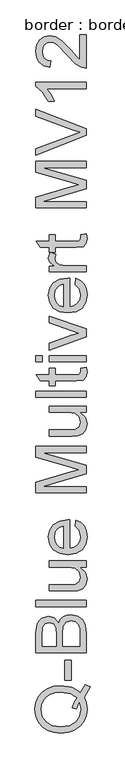
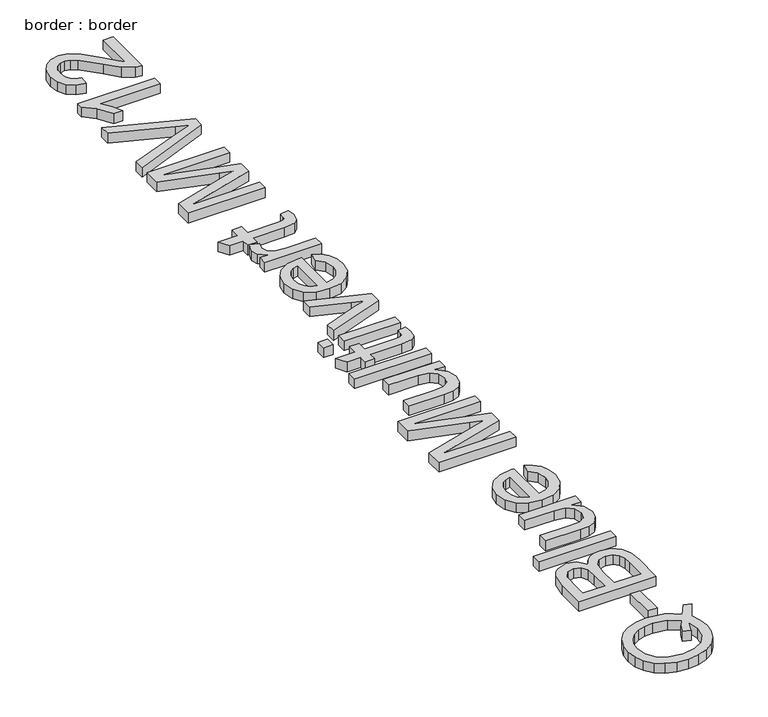
"""IFC4 building model written with IfcOpenShell, lengths in millimetres: proxy geometry, border : border."""

from ifc_helpers import new_model, si_unit, origin, origin_with_axes, place, context, project, spatial, polyline, outline, extrude, source, transform, mapped, element, save


def border_border_e8e7cf6d(model_context):
    return source(origin(), model_context, "Body", "SweptSolid", [
        extrude(outline(polyline([(-518.063006, 579.5960363), (-502.3544448, 602.956543), (-488.55887, 597.8797714), (-506.1804175, 566.8673192), (-499.7792708, 549.4389097), (-497.6455552, 530.2630607), (-500.1057661, 510.9952412), (-507.4863986, 493.5852258), (-519.3230018, 479.0033032), (-535.1511246, 468.2197622), (-554.1016459, 461.5564996), (-575.3054444, 459.335412), (-596.527637, 461.5519011), (-615.7540698, 468.2013681), (-631.8075203, 478.9435224), (-643.5107663, 493.438073), (-650.6568741, 510.7837091), (-653.03891, 530.0791197), (-650.6016918, 549.5262817), (-643.2900371, 566.9592897), (-631.5913897, 581.4308477), (-615.9931931, 591.9936595), (-597.3231818, 598.4499885), (-576.4090904, 600.6020982), (-543.4836518, 595.3781739), (-529.8260328, 588.8206773), (-518.063006, 579.5960363)]), holes=[polyline([(-543.1157698, 535.4501968), (-537.1284904, 551.2875167), (-528.8051602, 564.0714161), (-548.2293296, 577.342759), (-575.4525972, 581.76654), (-592.0302796, 580.2030416), (-606.3730789, 575.5125461), (-618.1177116, 567.8100168), (-626.9008942, 557.2104169), (-632.3777374, 544.4311161), (-634.2033518, 530.1894843), (-630.5107363, 509.661669), (-619.4328897, 492.9598264), (-601.0249944, 481.8681842), (-575.3422326, 478.1709702), (-550.2112938, 481.8267975), (-531.6930339, 492.7942795), (-520.2840935, 509.4455383), (-516.4811134, 530.1526961), (-520.3438743, 550.422994), (-528.6947956, 530.5941545), (-543.1157698, 535.4501968)])]), origin_with_axes(), (0.0, 0.0, 1.0), 20.0),
        extrude(outline(polyline([(-544.7344506, 617.0832116), (-563.5700088, 617.0832116), (-563.5700088, 675.9443308), (-544.7344506, 675.9443308), (-544.7344506, 617.0832116)])), origin_with_axes(), (0.0, 0.0, 1.0), 20.0),
        extrude(outline(polyline([(-500.0, 699.4887785), (-650.6844652, 699.4887785), (-650.6844652, 756.9887343), (-646.2514872, 785.1501011), (-640.6274912, 794.6138654), (-632.6214593, 801.7783673), (-613.3444427, 807.7932379), (-595.7412892, 802.7348604), (-582.4055669, 787.4493635), (-576.8321547, 798.1225399), (-568.3524747, 806.0090102), (-557.527547, 810.8788481), (-544.9183916, 812.5021274), (-524.6664878, 808.0691494), (-510.2455136, 797.0878718), (-502.5935681, 780.6987289), (-500.0, 756.5472759), (-500.0, 699.4887785)]), holes=[polyline([(-589.4689012, 718.3243366), (-589.4689012, 752.7213032), (-591.087582, 772.8076601), (-598.0589458, 784.8925837), (-610.3278104, 788.9576797), (-622.615069, 785.1684952), (-629.8807384, 774.3159763), (-631.8489071, 750.109341), (-631.8489071, 718.3243366), (-589.4689012, 718.3243366)]), polyline([(-518.8355582, 718.3243366), (-518.8355582, 756.9519461), (-519.5713221, 770.931462), (-523.6732064, 782.7588681), (-532.0425218, 790.5947546), (-544.7344506, 793.6665693), (-559.376154, 790.0613257), (-568.1133514, 778.3810724), (-570.6333431, 755.1125362), (-570.6333431, 718.3243366), (-518.8355582, 718.3243366)])]), origin_with_axes(), (0.0, 0.0, 1.0), 20.0),
        extrude(outline(polyline([(-500.0, 836.0465751), (-650.6844652, 836.0465751), (-650.6844652, 854.8821333), (-500.0, 854.8821333), (-500.0, 836.0465751)])), origin_with_axes(), (0.0, 0.0, 1.0), 20.0),
        extrude(outline(polyline([(-500.0, 953.7688136), (-519.0194992, 953.7688136), (-502.9890412, 939.0167456), (-497.6455552, 919.7765172), (-501.3979516, 902.0629991), (-510.8157307, 889.8493169), (-524.6848819, 884.2391165), (-542.1960648, 883.1354705), (-610.6589041, 883.1354705), (-610.6589041, 901.9710286), (-551.0620209, 901.9710286), (-531.8585808, 903.1114628), (-520.5829976, 910.5610732), (-516.4811134, 924.5957713), (-520.6749681, 940.3227266), (-532.0977041, 950.715393), (-553.0853719, 953.7688136), (-610.6589041, 953.7688136), (-610.6589041, 972.6043717), (-500.0, 972.6043717), (-500.0, 953.7688136)])), origin_with_axes(), (0.0, 0.0, 1.0), 20.0),
        extrude(outline(polyline([(-532.9622268, 1075.9792124), (-530.607782, 1094.4468885), (-516.6926455, 1087.7928229), (-506.2907821, 1077.1748288), (-499.806862, 1062.8320296), (-497.6455552, 1045.0035484), (-501.374959, 1022.9030375), (-512.5631701, 1005.8976923), (-530.4836218, 995.0543705), (-554.4097471, 991.4399299), (-579.1406142, 995.0911587), (-597.6358815, 1006.0448451), (-609.1689821, 1022.8202641), (-613.0133489, 1043.9366906), (-609.1781791, 1064.395528), (-597.6726697, 1080.7432842), (-579.2141906, 1091.4624458), (-554.5201117, 1095.0354997), (-549.4433402, 1094.9251351), (-549.4433402, 1010.275488), (-535.3442627, 1013.5358422), (-524.9791875, 1021.1096128), (-518.6056319, 1032.0403066), (-516.4811134, 1045.3714304), (-520.4174507, 1063.8391065), (-532.9622268, 1075.9792124)]), holes=[polyline([(-568.2788983, 1010.275488), (-568.2788983, 1076.1999416), (-578.2301063, 1073.6523587), (-585.3486229, 1068.6583607), (-591.9704988, 1057.6770831), (-594.1777908, 1043.8631142), (-592.4165557, 1031.1665868), (-587.1328506, 1020.6681544), (-578.8968924, 1013.3702953), (-568.2788983, 1010.275488)])]), origin_with_axes(), (0.0, 0.0, 1.0), 20.0),
        extrude(outline(polyline([(-500.0, 1175.0866219), (-650.6844652, 1175.0866219), (-650.6844652, 1207.4970256), (-544.4769332, 1238.3255368), (-522.2936489, 1244.5427425), (-546.3163432, 1251.2749831), (-650.6844652, 1281.5884595), (-650.6844652, 1313.9988632), (-500.0, 1313.9988632), (-500.0, 1295.1633051), (-631.8489071, 1295.1633051), (-500.0, 1257.3082478), (-500.0, 1231.7772373), (-631.8489071, 1193.92218), (-500.0, 1193.92218), (-500.0, 1175.0866219)])), origin_with_axes(), (0.0, 0.0, 1.0), 20.0),
        extrude(outline(polyline([(-500.0, 1415.2399883), (-519.0194992, 1415.2399883), (-502.9890412, 1400.4879203), (-497.6455552, 1381.247692), (-501.3979516, 1363.5341739), (-510.8157307, 1351.3204916), (-524.6848819, 1345.7102912), (-542.1960648, 1344.6066452), (-610.6589041, 1344.6066452), (-610.6589041, 1363.4422034), (-551.0620209, 1363.4422034), (-531.8585808, 1364.5826376), (-520.5829976, 1372.032248), (-516.4811134, 1386.0669461), (-520.6749681, 1401.7939014), (-532.0977041, 1412.1865678), (-553.0853719, 1415.2399883), (-610.6589041, 1415.2399883), (-610.6589041, 1434.0755465), (-500.0, 1434.0755465), (-500.0, 1415.2399883)])), origin_with_axes(), (0.0, 0.0, 1.0), 20.0),
        extrude(outline(polyline([(-500.0, 1459.9744389), (-650.6844652, 1459.9744389), (-650.6844652, 1478.8099971), (-500.0, 1478.8099971), (-500.0, 1459.9744389)])), origin_with_axes(), (0.0, 0.0, 1.0), 20.0),
        extrude(outline(polyline([(-515.7085612, 1547.0888954), (-499.448177, 1549.4433402), (-497.6455552, 1535.3534597), (-500.7725522, 1519.5713221), (-508.9763207, 1511.6986474), (-530.3502646, 1509.4177791), (-591.823346, 1509.4177791), (-591.823346, 1495.2911105), (-610.6589041, 1495.2911105), (-610.6589041, 1509.4177791), (-637.551078, 1509.4177791), (-648.6243261, 1528.2533372), (-610.6589041, 1528.2533372), (-610.6589041, 1547.0888954), (-591.823346, 1547.0888954), (-591.823346, 1528.2533372), (-530.9020876, 1528.2533372), (-521.1900029, 1529.2466186), (-517.7503063, 1532.4655861), (-516.4811134, 1538.8851269), (-515.7085612, 1547.0888954)])), origin_with_axes(), (0.0, 0.0, 1.0), 20.0),
        extrude(outline(polyline([(-631.8489071, 1565.9244535), (-650.6844652, 1565.9244535), (-650.6844652, 1584.7600117), (-631.8489071, 1584.7600117), (-631.8489071, 1565.9244535)])), origin_with_axes(), (0.0, 0.0, 1.0), 20.0),
        extrude(outline(polyline([(-500.0, 1565.9244535), (-610.6589041, 1565.9244535), (-610.6589041, 1584.7600117), (-500.0, 1584.7600117), (-500.0, 1565.9244535)])), origin_with_axes(), (0.0, 0.0, 1.0), 20.0),
        extrude(outline(polyline([(-500.0, 1640.1630402), (-610.6589041, 1601.2411251), (-610.6589041, 1621.1803292), (-544.3665686, 1644.7615651), (-522.0729197, 1651.8616876), (-543.1157698, 1658.8146573), (-610.6589041, 1682.543046), (-610.6589041, 1702.4822501), (-500.0, 1664.0385816), (-500.0, 1640.1630402)])), origin_with_axes(), (0.0, 0.0, 1.0), 20.0),
        extrude(outline(polyline([(-532.9622268, 1796.4393117), (-530.607782, 1814.9069879), (-516.6926455, 1808.2529223), (-506.2907821, 1797.6349282), (-499.806862, 1783.2921289), (-497.6455552, 1765.4636477), (-501.374959, 1743.3631369), (-512.5631701, 1726.3577916), (-530.4836218, 1715.5144698), (-554.4097471, 1711.9000292), (-579.1406142, 1715.551258), (-597.6358815, 1726.5049444), (-609.1689821, 1743.2803634), (-613.0133489, 1764.3967899), (-609.1781791, 1784.8556274), (-597.6726697, 1801.2033836), (-579.2141906, 1811.9225452), (-554.5201117, 1815.4955991), (-549.4433402, 1815.3852345), (-549.4433402, 1730.7355874), (-535.3442627, 1733.9959416), (-524.9791875, 1741.5697121), (-518.6056319, 1752.5004059), (-516.4811134, 1765.8315297), (-520.4174507, 1784.2992059), (-532.9622268, 1796.4393117)]), holes=[polyline([(-568.2788983, 1730.7355874), (-568.2788983, 1796.6600409), (-578.2301063, 1794.1124581), (-585.3486229, 1789.11846), (-591.9704988, 1778.1371825), (-594.1777908, 1764.3232135), (-592.4165557, 1751.6266862), (-587.1328506, 1741.1282537), (-578.8968924, 1733.8303947), (-568.2788983, 1730.7355874)])]), origin_with_axes(), (0.0, 0.0, 1.0), 20.0),
        extrude(outline(polyline([(-500.0, 1834.3311572), (-610.6589041, 1834.3311572), (-610.6589041, 1850.8122706), (-594.2881554, 1850.8122706), (-609.3713172, 1862.510918), (-613.0133489, 1874.2831419), (-607.2008134, 1893.1922764), (-590.3150298, 1886.9014943), (-594.1777908, 1873.6577425), (-590.4621826, 1863.0075587), (-580.1614867, 1856.2201359), (-558.1621434, 1853.1667154), (-500.0, 1853.1667154), (-500.0, 1834.3311572)])), origin_with_axes(), (0.0, 0.0, 1.0), 20.0),
        extrude(outline(polyline([(-515.7085612, 1944.9900614), (-499.448177, 1947.3445061), (-497.6455552, 1933.2546257), (-500.7725522, 1917.4724881), (-508.9763207, 1909.5998134), (-530.3502646, 1907.3189451), (-591.823346, 1907.3189451), (-591.823346, 1893.1922764), (-610.6589041, 1893.1922764), (-610.6589041, 1907.3189451), (-637.551078, 1907.3189451), (-648.6243261, 1926.1545032), (-610.6589041, 1926.1545032), (-610.6589041, 1944.9900614), (-591.823346, 1944.9900614), (-591.823346, 1926.1545032), (-530.9020876, 1926.1545032), (-521.1900029, 1927.1477846), (-517.7503063, 1930.3667521), (-516.4811134, 1936.7862929), (-515.7085612, 1944.9900614)])), origin_with_axes(), (0.0, 0.0, 1.0), 20.0),
        extrude(outline(polyline([(-500.0, 2025.0411835), (-650.6844652, 2025.0411835), (-650.6844652, 2057.4515873), (-544.4769332, 2088.2800985), (-522.2936489, 2094.4973042), (-546.3163432, 2101.2295447), (-650.6844652, 2131.5430211), (-650.6844652, 2163.9534249), (-500.0, 2163.9534249), (-500.0, 2145.1178667), (-631.8489071, 2145.1178667), (-500.0, 2107.2628094), (-500.0, 2081.731799), (-631.8489071, 2043.8767417), (-500.0, 2043.8767417), (-500.0, 2025.0411835)])), origin_with_axes(), (0.0, 0.0, 1.0), 20.0),
        extrude(outline(polyline([(-500.0, 2241.4293731), (-650.6844652, 2181.4646079), (-650.6844652, 2201.6245412), (-542.1224884, 2241.7604669), (-517.6583358, 2249.890659), (-542.1224884, 2257.9104865), (-650.6844652, 2298.1567767), (-650.6844652, 2318.3167101), (-500.0, 2260.8903306), (-500.0, 2241.4293731)])), origin_with_axes(), (0.0, 0.0, 1.0), 20.0),
        extrude(outline(polyline([(-500.0, 2399.3979018), (-500.0, 2380.5623437), (-617.4279329, 2380.5623437), (-604.7176099, 2362.7200669), (-595.2078604, 2342.8912273), (-613.0133489, 2342.8912273), (-630.6348965, 2370.5007711), (-650.6844652, 2387.257796), (-650.6844652, 2399.3979018), (-500.0, 2399.3979018)])), origin_with_axes(), (0.0, 0.0, 1.0), 20.0),
        extrude(outline(polyline([(-518.8355582, 2540.664588), (-500.0, 2540.664588), (-500.0, 2441.7779077), (-512.9862344, 2443.8012586), (-532.9806209, 2455.2423887), (-554.8144173, 2478.8236246), (-586.1947515, 2511.3443929), (-597.0104821, 2517.442037), (-607.5319072, 2519.474585), (-616.9634818, 2517.5570001), (-624.8039669, 2511.8042454), (-630.087672, 2502.961282), (-631.8489071, 2491.7730708), (-630.1290587, 2480.0238396), (-624.9695138, 2470.8957676), (-616.7749423, 2465.0050571), (-605.9500146, 2462.9679106), (-608.3044594, 2444.1323524), (-626.5238152, 2448.6986877), (-639.8319464, 2458.5717207), (-647.9713355, 2473.2364168), (-650.6844652, 2492.177741), (-647.6678329, 2511.257021), (-638.6179358, 2525.8941258), (-625.0982725, 2535.2061389), (-608.6723414, 2538.3101432), (-590.8116705, 2534.962417), (-572.3439944, 2523.8339867), (-546.5370724, 2496.8498423), (-528.4188841, 2475.1815928), (-518.8355582, 2466.6835187), (-518.8355582, 2540.664588)])), origin_with_axes(), (0.0, 0.0, 1.0), 20.0),
    ])


if __name__ == "__main__":
    model = new_model("IFC4")
    model_context = context("Model", 3, world=origin())
    ifc_project = project(units=[si_unit("LENGTHUNIT", "METRE", prefix="MILLI")], contexts=[model_context])
    site = spatial("IfcSite", under=ifc_project)
    building = spatial("IfcBuilding", under=site)
    placement = place(None, origin())
    border_border_shape = border_border_e8e7cf6d(model_context)
    element("IfcBuildingElementProxy", 1, Name="border : border", ObjectType="border : border", at=placement, inside=building, context=model_context, shape_type="MappedRepresentation", body=[
        mapped(border_border_shape, transform((0.0, 0.0, 0.0), x_axis=(1.0, 0.0, 0.0), y_axis=(0.0, 1.0, 0.0), z_axis=(0.0, 0.0, 1.0))),
    ])
    save(model, "model.ifc")
